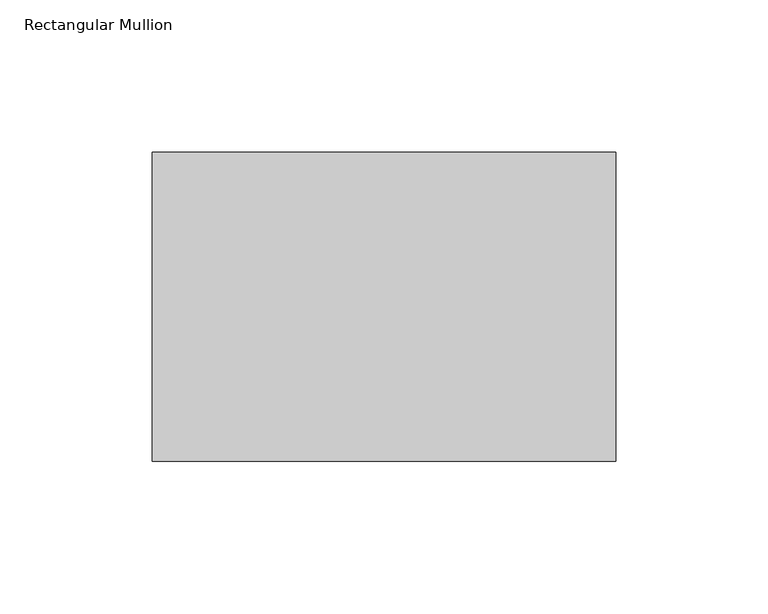
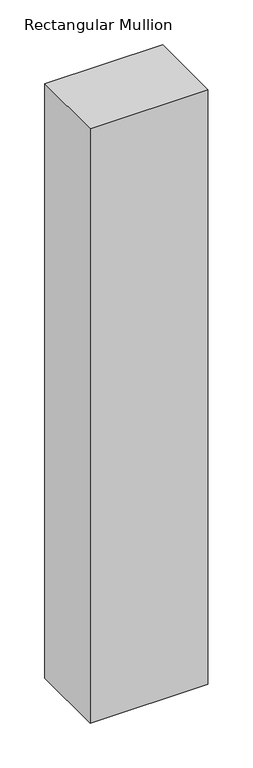
"""IFC4 building model written with IfcOpenShell, lengths in millimetres: member geometry, Rectangular Mullion."""

from ifc_helpers import new_model, si_unit, frame, origin, place, context, project, spatial, polyline, outline, extrude, source, transform, mapped, element, save


def rectangular_mullion_08c59cce(model_context):
    return source(origin(), model_context, "Body", "SweptSolid", [
        extrude(outline(polyline([(0.0, 19.05), (0.0, -82.55), (-152.4, -82.55), (-152.4, 19.05), (0.0, 19.05)])), frame((0.0, 0.0, -812.8), z_axis=(0.0, 0.0, 1.0), x_axis=(1.0, 0.0, 0.0)), (0.0, 0.0, 1.0), 812.8),
    ])


if __name__ == "__main__":
    model = new_model("IFC4")
    model_context = context("Model", 3, world=origin())
    ifc_project = project(units=[si_unit("LENGTHUNIT", "METRE", prefix="MILLI")], contexts=[model_context])
    site = spatial("IfcSite", under=ifc_project)
    building = spatial("IfcBuilding", under=site)
    placement = place(None, origin())
    rectangular_mullion_shape = rectangular_mullion_08c59cce(model_context)
    element("IfcMember", 1, ObjectType="Rectangular Mullion", at=placement, inside=building, context=model_context, shape_type="MappedRepresentation", body=[
        mapped(rectangular_mullion_shape, transform((0.0, 0.0, 0.0), x_axis=(1.0, 0.0, 0.0), y_axis=(0.0, 1.0, 0.0), z_axis=(0.0, 0.0, 1.0))),
    ])
    save(model, "model.ifc")
